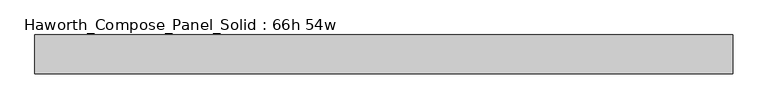
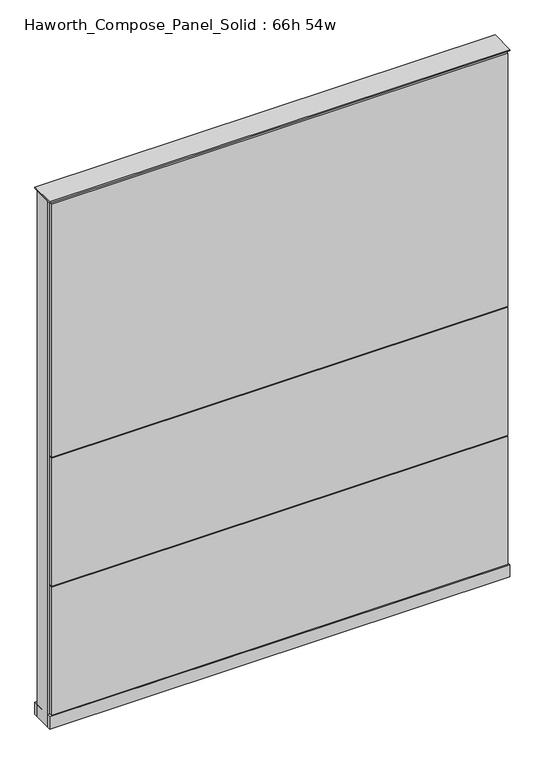
"""IFC4 building model written with IfcOpenShell, lengths in millimetres: furniture geometry, Haworth_Compose_Panel_Solid : 66h 54w."""

from ifc_helpers import new_model, si_unit, point, frame, frame_2d, origin, origin_with_axes, place, context, project, spatial, polyline, circle_curve, trimmed, segment, composite_curve, outline, extrude, source, transform, mapped, element, save


def haworth_compose_panel_solid_66h_54w_26c4cf19(model_context):
    return source(origin(), model_context, "Body", "SweptSolid", [
        extrude(outline(composite_curve([segment(trimmed(circle_curve(frame_2d((-607.1597098, 0.0)), 12.7), [point((-619.8597098, 0.0))], [point((-594.4597098, 0.0))], False, "CARTESIAN"), True, "CONTINUOUS"), segment(trimmed(circle_curve(frame_2d((-607.1597098, 0.0)), 12.7), [point((-594.4597098, 0.0))], [point((-619.8597098, 0.0))], False, "CARTESIAN"), True, "CONTINUOUS")], self_intersect=False)), origin_with_axes(), (0.0, 0.0, 1.0), 12.7),
        extrude(outline(composite_curve([segment(trimmed(circle_curve(frame_2d((612.0402902, 0.0)), 12.7), [point((599.3402902, 0.0))], [point((624.7402902, 0.0))], False, "CARTESIAN"), True, "CONTINUOUS"), segment(trimmed(circle_curve(frame_2d((612.0402902, 0.0)), 12.7), [point((624.7402902, 0.0))], [point((599.3402902, 0.0))], False, "CARTESIAN"), True, "CONTINUOUS")], self_intersect=False)), origin_with_axes(), (0.0, 0.0, 1.0), 12.7),
        extrude(outline(polyline([(681.8902902, 38.1), (681.8902902, 25.4), (-677.0097098, 25.4), (-677.0097098, 38.1), (681.8902902, 38.1)])), frame((0.0, 0.0, 866.775), z_axis=(0.0, 0.0, 1.0), x_axis=(1.0, 0.0, 0.0)), (0.0, 0.0, 1.0), 796.925),
        extrude(outline(polyline([(681.8902902, 38.1), (681.8902902, 25.4), (-677.0097098, 25.4), (-677.0097098, 38.1), (681.8902902, 38.1)])), frame((0.0, 0.0, 460.375), z_axis=(0.0, 0.0, 1.0), x_axis=(1.0, 0.0, 0.0)), (0.0, 0.0, 1.0), 403.225),
        extrude(outline(polyline([(681.8902902, 38.1), (681.8902902, 25.4), (-677.0097098, 25.4), (-677.0097098, 38.1), (681.8902902, 38.1)])), frame((0.0, 0.0, 53.975), z_axis=(0.0, 0.0, 1.0), x_axis=(1.0, 0.0, 0.0)), (0.0, 0.0, 1.0), 403.225),
        extrude(outline(polyline([(681.8902902, -38.1), (-677.0097098, -38.1), (-677.0097098, -25.4), (681.8902902, -25.4), (681.8902902, -38.1)])), frame((0.0, 0.0, 866.775), z_axis=(0.0, 0.0, 1.0), x_axis=(1.0, 0.0, 0.0)), (0.0, 0.0, 1.0), 796.925),
        extrude(outline(polyline([(681.8902902, -38.1), (-677.0097098, -38.1), (-677.0097098, -25.4), (681.8902902, -25.4), (681.8902902, -38.1)])), frame((0.0, 0.0, 460.375), z_axis=(0.0, 0.0, 1.0), x_axis=(1.0, 0.0, 0.0)), (0.0, 0.0, 1.0), 403.225),
        extrude(outline(polyline([(681.8902902, -38.1), (-677.0097098, -38.1), (-677.0097098, -25.4), (681.8902902, -25.4), (681.8902902, -38.1)])), frame((0.0, 0.0, 53.975), z_axis=(0.0, 0.0, 1.0), x_axis=(1.0, 0.0, 0.0)), (0.0, 0.0, 1.0), 403.225),
        extrude(outline(polyline([(688.2402902, 25.4), (688.2402902, -25.4), (-683.3597098, -25.4), (-683.3597098, 25.4), (688.2402902, 25.4)])), frame((0.0, 0.0, 12.7), z_axis=(0.0, 0.0, 1.0), x_axis=(1.0, 0.0, 0.0)), (0.0, 0.0, 1.0), 1657.35),
        extrude(outline(polyline([(-683.3597098, -38.1), (-683.3597098, 38.1), (688.2402902, 38.1), (688.2402902, -38.1), (-683.3597098, -38.1)])), frame((0.0, 0.0, 12.7), z_axis=(0.0, 0.0, 1.0), x_axis=(1.0, 0.0, 0.0)), (0.0, 0.0, 1.0), 38.1),
        extrude(outline(polyline([(-683.3597098, -38.1), (-683.3597098, 38.1), (688.2402902, 38.1), (688.2402902, -38.1), (-683.3597098, -38.1)])), frame((0.0, 0.0, 1670.05), z_axis=(0.0, 0.0, 1.0), x_axis=(1.0, 0.0, 0.0)), (0.0, 0.0, 1.0), 3.175),
    ])


if __name__ == "__main__":
    model = new_model("IFC4")
    model_context = context("Model", 3, world=origin())
    ifc_project = project(units=[si_unit("LENGTHUNIT", "METRE", prefix="MILLI")], contexts=[model_context])
    site = spatial("IfcSite", under=ifc_project)
    building = spatial("IfcBuilding", under=site)
    placement = place(None, origin())
    haworth_compose_panel_solid_66h_54w_shape = haworth_compose_panel_solid_66h_54w_26c4cf19(model_context)
    element("IfcFurniture", 1, ObjectType="Haworth_Compose_Panel_Solid : 66h 54w", at=placement, inside=building, context=model_context, shape_type="MappedRepresentation", body=[
        mapped(haworth_compose_panel_solid_66h_54w_shape, transform((0.0, 0.0, 0.0), x_axis=(1.0, 0.0, 0.0), y_axis=(0.0, 1.0, 0.0), z_axis=(0.0, 0.0, 1.0))),
    ])
    save(model, "model.ifc")
